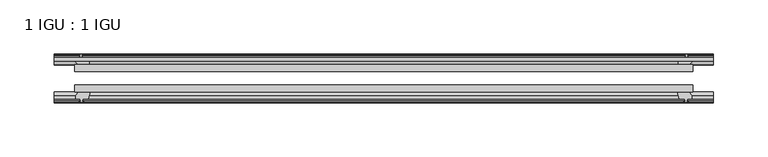
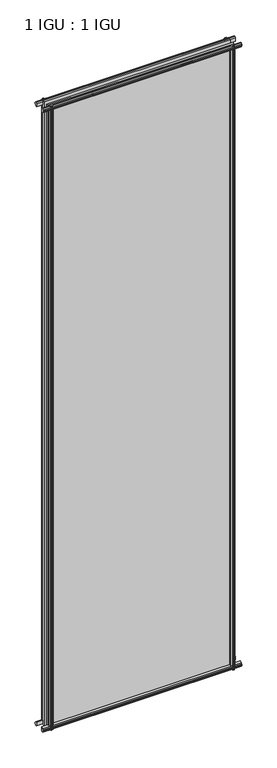
"""IFC4 building model written with IfcOpenShell, lengths in millimetres: plate geometry, 1 IGU : 1 IGU."""

from ifc_helpers import new_model, si_unit, frame, origin, place, context, project, spatial, polyline, outline, extrude, source, transform, mapped, element, save


def plate_1_igu_1_igu_bebacaf3(model_context):
    return source(origin(), model_context, "Body", "SweptSolid", [
        extrude(outline(polyline([(-285.7500002, -38.6468937), (285.7500002, -38.6468937), (285.7500002, -44.9460938), (-285.7500002, -44.9460938), (-285.7500002, -38.6468937)])), frame((0.0, 0.0, -12.7), z_axis=(0.0, 0.0, 1.0), x_axis=(1.0, 0.0, 0.0)), (0.0, 0.0, 1.0), 2019.2872996),
        extrude(outline(polyline([(-285.7500002, -19.5460937), (285.7500002, -19.5460937), (285.7500002, -25.8960938), (-285.7500002, -25.8960938), (-285.7500002, -19.5460937)])), frame((0.0, 0.0, -12.7), z_axis=(0.0, 0.0, 1.0), x_axis=(1.0, 0.0, 0.0)), (0.0, 0.0, 1.0), 2019.2872996),
        extrude(outline(polyline([(-44.9460937, 1.7177181), (-44.9460937, -9.1036578), (-48.3496937, -11.938), (-51.2960937, -11.938), (-51.2960937, -7.493), (-53.6762907, -7.112), (-53.2163575, -8.5275291), (-54.0175717, -8.5275291), (-54.7250937, -6.35), (-54.0175717, -4.1724709), (-53.2163575, -4.1724709), (-53.6762907, -5.588), (-51.2960937, -5.207), (-51.2960937, 0.0), (-44.9460937, 1.7177181)])), frame((-304.8000002, 0.0, 0.0), z_axis=(1.0, 0.0, 0.0), x_axis=(0.0, 1.0, 0.0)), (0.0, 0.0, 1.0), 609.6000003),
        extrude(outline(polyline([(-13.1960937, -12.4587), (-16.1424937, -12.4587), (-19.5460937, -9.6243578), (-19.5460937, 1.1970181), (-13.1960937, -0.5207), (-13.1960937, -5.7277), (-10.8158968, -6.1087), (-11.27583, -4.6931709), (-10.4746158, -4.6931709), (-9.7670937, -6.8707), (-10.4746158, -9.0482291), (-11.27583, -9.0482291), (-10.8158968, -7.6327), (-13.1960937, -8.0137), (-13.1960937, -12.4587)])), frame((-304.8000002, 0.0, 0.0), z_axis=(1.0, 0.0, 0.0), x_axis=(0.0, 1.0, 0.0)), (0.0, 0.0, 1.0), 609.6000003),
        extrude(outline(polyline([(-51.2960937, 2005.8252996), (-48.3496937, 2005.8252996), (-44.9460937, 2002.9909574), (-44.9460937, 1992.1695815), (-51.2960937, 1993.8872996), (-51.2960937, 1999.0942996), (-53.6762907, 1999.4752996), (-53.2163575, 1998.0597705), (-54.0175717, 1998.0597705), (-54.7250937, 2000.2372996), (-54.0175717, 2002.4148286), (-53.2163575, 2002.4148286), (-53.6762907, 2000.9992996), (-51.2960937, 2001.3802996), (-51.2960937, 2005.8252996)])), frame((-304.8000002, 0.0, 0.0), z_axis=(1.0, 0.0, 0.0), x_axis=(0.0, 1.0, 0.0)), (0.0, 0.0, 1.0), 609.6000003),
        extrude(outline(polyline([(-19.5460937, 1992.6902815), (-19.5460937, 2003.5116574), (-16.1424937, 2006.3459996), (-13.1960937, 2006.3459996), (-13.1960937, 2001.9009996), (-10.8158968, 2001.5199996), (-11.27583, 2002.9355286), (-10.4746158, 2002.9355286), (-9.7670937, 2000.7579996), (-10.4746158, 1998.5804705), (-11.27583, 1998.5804705), (-10.8158968, 1999.9959996), (-13.1960937, 1999.6149996), (-13.1960937, 1994.4079996), (-19.5460937, 1992.6902815)])), frame((-304.8000002, 0.0, 0.0), z_axis=(1.0, 0.0, 0.0), x_axis=(0.0, 1.0, 0.0)), (0.0, 0.0, 1.0), 609.6000003),
        extrude(outline(polyline([(271.8529821, -19.5460938), (273.5707002, -13.1960938), (278.7777002, -13.1960938), (279.1587002, -10.8158968), (277.7431711, -11.27583), (277.7431711, -10.4746158), (279.9207002, -9.7670938), (282.0982292, -10.4746158), (282.0982292, -11.27583), (280.6827002, -10.8158968), (281.0637002, -13.1960938), (285.5087002, -13.1960938), (285.5087002, -16.1424938), (282.674358, -19.5460938), (271.8529821, -19.5460938)])), frame((0.0, 0.0, -12.7), z_axis=(0.0, 0.0, 1.0), x_axis=(1.0, 0.0, 0.0)), (0.0, 0.0, 1.0), 2019.2872997),
        extrude(outline(polyline([(271.3322821, -44.9460938), (282.153658, -44.9460938), (284.9880002, -48.3496938), (284.9880002, -51.2960938), (280.5430002, -51.2960938), (280.1620002, -53.6762907), (281.5775292, -53.2163575), (281.5775292, -54.0175717), (279.4000002, -54.7250938), (277.2224711, -54.0175717), (277.2224711, -53.2163575), (278.6380002, -53.6762907), (278.2570002, -51.2960938), (273.0500002, -51.2960938), (271.3322821, -44.9460938)])), frame((0.0, 0.0, -12.7), z_axis=(0.0, 0.0, 1.0), x_axis=(1.0, 0.0, 0.0)), (0.0, 0.0, 1.0), 2019.2872997),
        extrude(outline(polyline([(-279.9207002, -9.7670937), (-277.7431711, -10.4746158), (-277.7431711, -11.27583), (-279.1587002, -10.8158968), (-278.7777002, -13.1960937), (-273.5707002, -13.1960937), (-271.8529821, -19.5460937), (-282.674358, -19.5460937), (-285.5087002, -16.1424937), (-285.5087002, -13.1960937), (-281.0637002, -13.1960937), (-280.6827002, -10.8158968), (-282.0982292, -11.27583), (-282.0982292, -10.4746158), (-279.9207002, -9.7670937)])), frame((0.0, 0.0, -12.7), z_axis=(0.0, 0.0, 1.0), x_axis=(1.0, 0.0, 0.0)), (0.0, 0.0, 1.0), 2019.2872997),
        extrude(outline(polyline([(-284.9880002, -48.3496937), (-282.153658, -44.9460937), (-271.3322821, -44.9460937), (-273.0500002, -51.2960937), (-278.2570002, -51.2960937), (-278.6380002, -53.6762907), (-277.2224711, -53.2163575), (-277.2224711, -54.0175717), (-279.4000002, -54.7250937), (-281.5775292, -54.0175717), (-281.5775292, -53.2163575), (-280.1620002, -53.6762907), (-280.5430002, -51.2960937), (-284.9880002, -51.2960937), (-284.9880002, -48.3496937)])), frame((0.0, 0.0, -12.7), z_axis=(0.0, 0.0, 1.0), x_axis=(1.0, 0.0, 0.0)), (0.0, 0.0, 1.0), 2019.2872997),
    ])


if __name__ == "__main__":
    model = new_model("IFC4")
    model_context = context("Model", 3, world=origin())
    ifc_project = project(units=[si_unit("LENGTHUNIT", "METRE", prefix="MILLI")], contexts=[model_context])
    site = spatial("IfcSite", under=ifc_project)
    building = spatial("IfcBuilding", under=site)
    placement = place(None, origin())
    plate_1_igu_1_igu_shape = plate_1_igu_1_igu_bebacaf3(model_context)
    element("IfcPlate", 1, ObjectType="1 IGU : 1 IGU", at=placement, inside=building, context=model_context, shape_type="MappedRepresentation", body=[
        mapped(plate_1_igu_1_igu_shape, transform((0.0, 0.0, 0.0), x_axis=(1.0, 0.0, 0.0), y_axis=(0.0, 1.0, 0.0), z_axis=(0.0, 0.0, 1.0))),
    ])
    save(model, "model.ifc")
